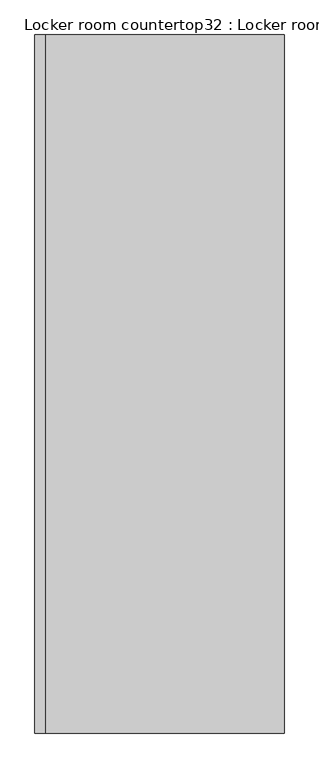
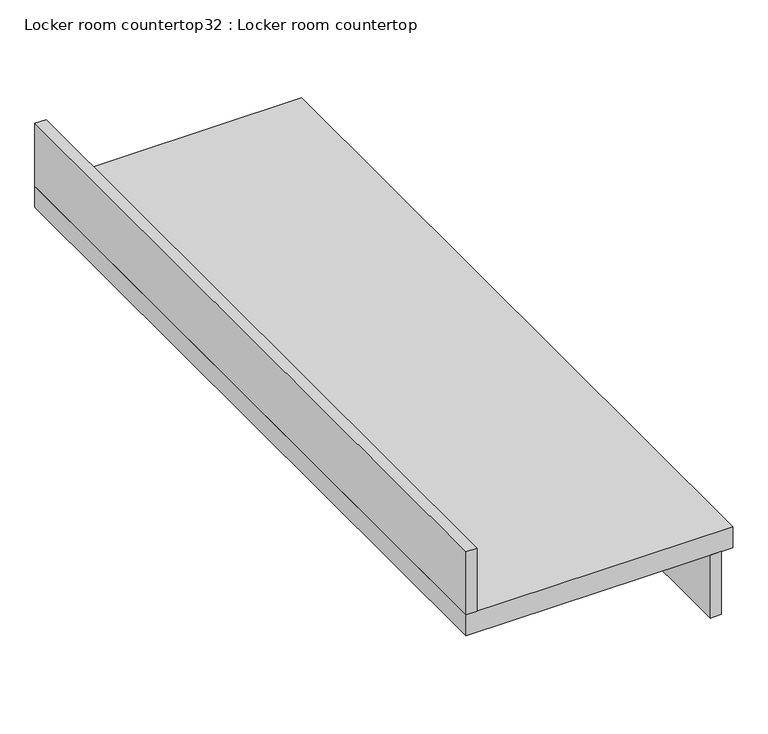
"""IFC4 building model written with IfcOpenShell, lengths in millimetres: furniture geometry, Locker room countertop32 : Locker room countertop."""

import ifcopenshell
import ifcopenshell.guid

model = None  # the IFC model being written
_history = None  # IfcOwnerHistory: only IFC2X3 demands one
_inside = {}  # id of a spatial element -> (the spatial element, [elements in it])
_under = {}  # id of a project, library or spatial element -> (it, [spatial elements below it])
_declared = {}  # id of a project -> (the project, [libraries it declares])
_typed = {}  # id of a type object -> (the type object, [elements of that type])
_made_of = {}  # id of a material, layer set ... -> (it, [elements and type objects made of it])


def new_model(schema):
    """Start an empty IFC model of exactly this schema.

    Asked for "IFC4X3", IfcOpenShell would pick the latest addendum, in which some entities
    have other attributes; the version numbers below select the first issue.
    IFC2X3 requires an IfcOwnerHistory on every rooted entity: one is made here for all.
    """
    global model, _history
    if schema == "IFC4X3":
        model = ifcopenshell.file(schema_version=(4, 3, 0, 0))
    else:
        model = ifcopenshell.file(schema=schema)
    _inside.clear()
    _under.clear()
    _declared.clear()
    _typed.clear()
    _made_of.clear()
    _history = None
    if model.schema == "IFC2X3":
        org = make("IfcOrganization", Name="unknown")
        user = make(
            "IfcPersonAndOrganization",
            ThePerson=make("IfcPerson", FamilyName="unknown"),
            TheOrganization=org,
        )
        app = make(
            "IfcApplication",
            ApplicationDeveloper=org,
            Version="unknown",
            ApplicationFullName="unknown",
            ApplicationIdentifier="unknown",
        )
        _history = make(
            "IfcOwnerHistory",
            OwningUser=user,
            OwningApplication=app,
            ChangeAction="ADDED",
            CreationDate=0,
        )
    return model


def make(cls, **values):
    """One entity of the class cls with the attributes given. An attribute that is None is left unset."""
    return model.create_entity(
        cls, **{name: value for name, value in values.items() if value is not None}
    )


def rooted(cls, **values):
    """An entity with a GlobalId (a new one), such as an element, a storey or a relation."""
    return make(cls, GlobalId=ifcopenshell.guid.new(), OwnerHistory=_history, **values)


def si_unit(unit_type, name, prefix=None):
    """IfcSIUnit, for example si_unit("LENGTHUNIT", "METRE", prefix="MILLI")."""
    return make("IfcSIUnit", UnitType=unit_type, Prefix=prefix, Name=name)


def assignment(units):
    """IfcUnitAssignment: the units of a project."""
    return None if units is None else make("IfcUnitAssignment", Units=units)


def point(xyz):
    """IfcCartesianPoint."""
    return None if xyz is None else make("IfcCartesianPoint", Coordinates=xyz)


def direction(xyz):
    """IfcDirection."""
    return None if xyz is None else make("IfcDirection", DirectionRatios=xyz)


def frame(location, z_axis=None, x_axis=None):
    """IfcAxis2Placement3D, a coordinate frame: its origin and axes. An axis left out is left unset."""
    return make(
        "IfcAxis2Placement3D",
        Location=point(location),
        Axis=direction(z_axis),
        RefDirection=direction(x_axis),
    )


def origin():
    """The frame at (0, 0, 0) with its axes left unset."""
    return frame((0.0, 0.0, 0.0))


def place(relative_to, where):
    """IfcLocalPlacement: puts the frame where relative to a parent placement (None: the world)."""
    return make(
        "IfcLocalPlacement", PlacementRelTo=relative_to, RelativePlacement=where
    )


def context(
    kind, dimensions, precision=None, world=None, true_north=None, identifier=None
):
    """IfcGeometricRepresentationContext, for example the 3D "Model" context."""
    return make(
        "IfcGeometricRepresentationContext",
        ContextIdentifier=identifier,
        ContextType=kind,
        CoordinateSpaceDimension=dimensions,
        Precision=precision,
        WorldCoordinateSystem=world,
        TrueNorth=true_north,
    )


def project(units=None, contexts=None):
    """IfcProject with its units and contexts."""
    return rooted(
        "IfcProject",
        Name="project",
        RepresentationContexts=contexts,
        UnitsInContext=assignment(units),
    )


def spatial(cls, under=None, at=None, **own):
    """A site, building, storey or space (cls), placed at a placement, below another one or the project."""
    s = rooted(cls, ObjectPlacement=at, **own)
    if under is not None:
        _under.setdefault(under.id(), (under, []))[1].append(s)
    return s


def polyline(points):
    """IfcPolyline through the points."""
    return make("IfcPolyline", Points=[point(p) for p in points])


def outline(outer, holes=None, kind="AREA"):
    """IfcArbitraryClosedProfileDef: a profile drawn as a closed curve; with holes, ...WithVoids."""
    if holes is None:
        return make("IfcArbitraryClosedProfileDef", ProfileType=kind, OuterCurve=outer)
    return make(
        "IfcArbitraryProfileDefWithVoids",
        ProfileType=kind,
        OuterCurve=outer,
        InnerCurves=holes,
    )


def extrude(swept, where, along, depth):
    """IfcExtrudedAreaSolid: the profile swept, set in the frame where, extruded along a direction by depth."""
    return make(
        "IfcExtrudedAreaSolid",
        SweptArea=swept,
        Position=where,
        ExtrudedDirection=direction(along),
        Depth=depth,
    )


def shape(context_of_items, identifier, shape_type, items):
    """IfcShapeRepresentation: the items that make up one representation, for example the "Body"."""
    return make(
        "IfcShapeRepresentation",
        ContextOfItems=context_of_items,
        RepresentationIdentifier=identifier,
        RepresentationType=shape_type,
        Items=items,
    )


def source(mapping_origin, context_of_items, identifier, shape_type, items):
    """IfcRepresentationMap: a shape defined once, which mapped items show again and again."""
    return make(
        "IfcRepresentationMap",
        MappingOrigin=mapping_origin,
        MappedRepresentation=shape(context_of_items, identifier, shape_type, items),
    )


def transform(
    local_origin,
    x_axis=None,
    y_axis=None,
    z_axis=None,
    scale=None,
    scale2=None,
    scale3=None,
    uniform=True,
):
    """IfcCartesianTransformationOperator3D, or its non-uniform kind. x_axis, y_axis, z_axis: its Axis1, 2, 3."""
    if uniform:
        return make(
            "IfcCartesianTransformationOperator3D",
            Axis1=direction(x_axis),
            Axis2=direction(y_axis),
            LocalOrigin=point(local_origin),
            Scale=scale,
            Axis3=direction(z_axis),
        )
    return make(
        "IfcCartesianTransformationOperator3DnonUniform",
        Axis1=direction(x_axis),
        Axis2=direction(y_axis),
        LocalOrigin=point(local_origin),
        Scale=scale,
        Axis3=direction(z_axis),
        Scale2=scale2,
        Scale3=scale3,
    )


def mapped(mapping_source, mapping_target):
    """IfcMappedItem: shows the shape of a source again, moved by a transform."""
    return make(
        "IfcMappedItem", MappingSource=mapping_source, MappingTarget=mapping_target
    )


def made_of(thing, what):
    """Note that an element or type object is made of a material, layer set ...; save() writes the relation."""
    if what is not None:
        _made_of.setdefault(what.id(), (what, []))[1].append(thing)
    return thing


def element(
    cls,
    number,
    at=None,
    inside=None,
    cuts=None,
    type_object=None,
    material=None,
    context=None,
    identifier="Body",
    shape_type=None,
    held_by="IfcProductDefinitionShape",
    body=None,
    shapes=None,
    **own,
):
    """One element of the class cls, such as IfcWall. Its Tag is "e" and its number.

    at: its placement. inside: the storey or other place that contains it. cuts: it is an
    opening in that element (IfcRelVoidsElement). A single representation is given by context,
    identifier, shape_type and body (its items); several are given by shapes. held_by: the class
    of the entity that holds the representations. save() writes the other relations.
    """
    e = rooted(cls, Tag="e%d" % number, ObjectPlacement=at, **own)
    if body is not None:
        shapes = [shape(context, identifier, shape_type, body)]
    if shapes is not None:
        e.Representation = make(held_by, Representations=shapes)
    if inside is not None:
        _inside.setdefault(inside.id(), (inside, []))[1].append(e)
    if cuts is not None:
        rooted(
            "IfcRelVoidsElement", RelatingBuildingElement=cuts, RelatedOpeningElement=e
        )
    if type_object is not None:
        _typed.setdefault(type_object.id(), (type_object, []))[1].append(e)
    return made_of(e, material)


def aggregate(whole, parts):
    """IfcRelAggregates: a whole, such as a stair, and the parts it consists of."""
    return rooted("IfcRelAggregates", RelatingObject=whole, RelatedObjects=parts)


def save(model, path):
    """Write the relations noted so far, then the file.

    IfcRelAggregates (storeys below a building ...), IfcRelContainedInSpatialStructure (elements
    in a storey), IfcRelDefinesByType, IfcRelAssociatesMaterial and IfcRelDeclares: one each for
    every whole, place, type object, material and project.
    """
    for whole, parts in _under.values():
        aggregate(whole, parts)
    for where, things in _inside.values():
        rooted(
            "IfcRelContainedInSpatialStructure",
            RelatedElements=things,
            RelatingStructure=where,
        )
    for kind, things in _typed.values():
        rooted("IfcRelDefinesByType", RelatedObjects=things, RelatingType=kind)
    for what, things in _made_of.values():
        rooted("IfcRelAssociatesMaterial", RelatedObjects=things, RelatingMaterial=what)
    for by, libraries in _declared.values():
        rooted("IfcRelDeclares", RelatingContext=by, RelatedDefinitions=libraries)
    model.write(path)


def locker_room_countertop32_locker_room_countertop_6937df9a(model_context):
    return source(origin(), model_context, "Body", "SweptSolid", [
        extrude(outline(polyline([(432569.6791739, -125967.5202671), (432544.2791739, -125967.5202671), (432544.2791739, -124259.3702671), (432569.6791739, -124259.3702671), (432569.6791739, -125967.5202671)])), frame((0.0, 0.0, 660.4), z_axis=(0.0, 0.0, 1.0), x_axis=(1.0, 0.0, 0.0)), (0.0, 0.0, 1.0), 152.4),
        extrude(outline(polyline([(432010.8791739, -124259.3702671), (432010.8791739, -125967.5202671), (431985.4791739, -125967.5202671), (431985.4791739, -124259.3702671), (432010.8791739, -124259.3702671)])), frame((0.0, 0.0, 863.6), z_axis=(0.0, 0.0, 1.0), x_axis=(1.0, 0.0, 0.0)), (0.0, 0.0, 1.0), 152.4),
        extrude(outline(polyline([(432595.0791739, -124259.3702671), (432595.0791739, -125967.5202671), (431985.4791739, -125967.5202671), (431985.4791739, -124259.3702671), (432595.0791739, -124259.3702671)])), frame((0.0, 0.0, 812.8), z_axis=(0.0, 0.0, 1.0), x_axis=(1.0, 0.0, 0.0)), (0.0, 0.0, 1.0), 50.8),
    ])


if __name__ == "__main__":
    model = new_model("IFC4")
    model_context = context("Model", 3, world=origin())
    ifc_project = project(units=[si_unit("LENGTHUNIT", "METRE", prefix="MILLI")], contexts=[model_context])
    site = spatial("IfcSite", under=ifc_project)
    building = spatial("IfcBuilding", under=site)
    placement = place(None, origin())
    locker_room_countertop32_locker_room_countertop_shape = locker_room_countertop32_locker_room_countertop_6937df9a(model_context)
    element("IfcFurniture", 1, ObjectType="Locker room countertop32 : Locker room countertop", at=placement, inside=building, context=model_context, shape_type="MappedRepresentation", body=[
        mapped(locker_room_countertop32_locker_room_countertop_shape, transform((0.0, 0.0, 0.0), x_axis=(1.0, 0.0, 0.0), y_axis=(0.0, 1.0, 0.0), z_axis=(0.0, 0.0, 1.0))),
    ])
    save(model, "model.ifc")
